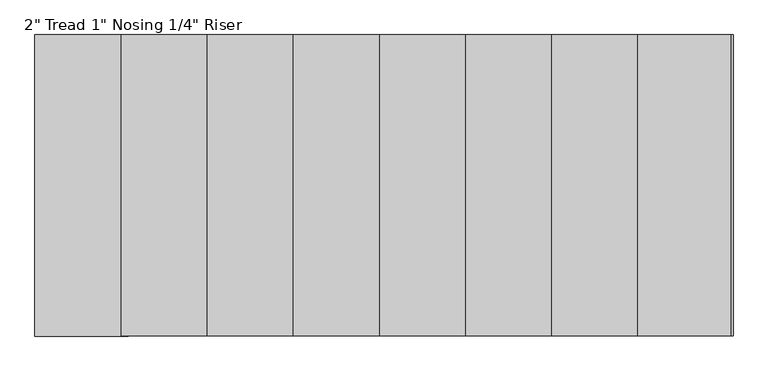
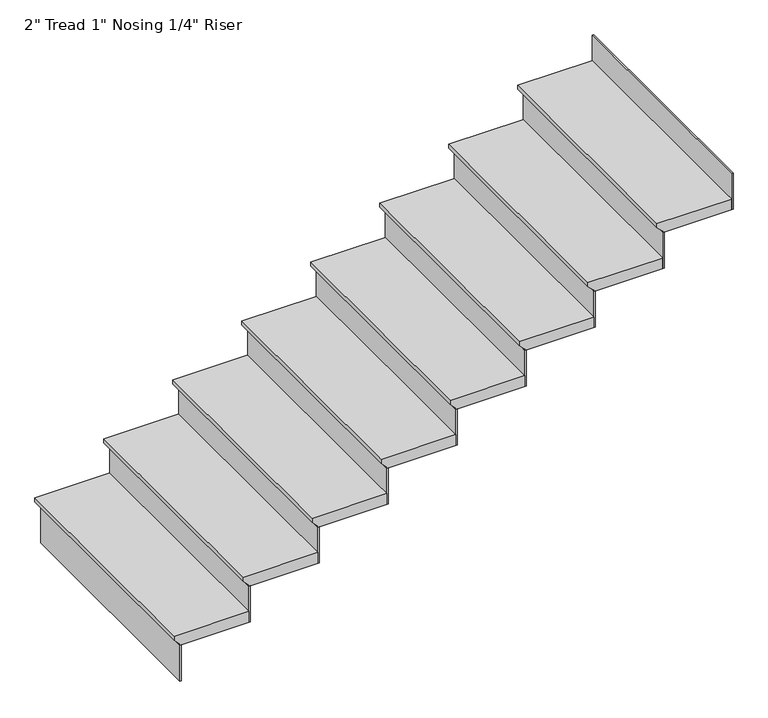
"""IFC4 building model written with IfcOpenShell, lengths in millimetres: stair flight geometry."""

from ifc_helpers import new_model, si_unit, frame, origin, place, context, project, spatial, polyline, outline, extrude, source, transform, mapped, element, save


def stair_flight_e5cf4ba2(model_context):
    return source(origin(), model_context, "Body", "SweptSolid", [
        extrude(outline(polyline([(1519.5176471, 29885.8368532), (1519.5176471, 29555.6368532), (1500.4676471, 29555.6368532), (1475.0676471, 29581.0368532), (1468.7176471, 29581.0368532), (1468.7176471, 29885.8368532), (1519.5176471, 29885.8368532)])), frame((0.0, -14119.094512, 0.0), z_axis=(0.0, 1.0, 0.0), x_axis=(0.0, 0.0, 1.0)), (0.0, 0.0, 1.0), 1066.8),
        extrude(outline(polyline([(29587.3868532, -14119.094512), (29581.0368532, -14119.094512), (29581.0368532, -13052.294512), (29587.3868532, -13052.294512), (29587.3868532, -14119.094512)])), frame((0.0, 0.0, 1299.8823529), z_axis=(0.0, 0.0, 1.0), x_axis=(1.0, 0.0, 0.0)), (0.0, 0.0, 1.0), 168.8352941),
        extrude(outline(polyline([(29892.1868532, -14119.094512), (29885.8368532, -14119.094512), (29885.8368532, -13052.294512), (29892.1868532, -13052.294512), (29892.1868532, -14119.094512)])), frame((0.0, 0.0, 1468.7176471), z_axis=(0.0, 0.0, 1.0), x_axis=(1.0, 0.0, 0.0)), (0.0, 0.0, 1.0), 168.8352941),
        extrude(outline(polyline([(1688.3529412, 30190.6368532), (1688.3529412, 29860.4368532), (1669.3029412, 29860.4368532), (1643.9029412, 29885.8368532), (1637.5529412, 29885.8368532), (1637.5529412, 30190.6368532), (1688.3529412, 30190.6368532)])), frame((0.0, -14119.094512, 0.0), z_axis=(0.0, 1.0, 0.0), x_axis=(0.0, 0.0, 1.0)), (0.0, 0.0, 1.0), 1066.8),
        extrude(outline(polyline([(30196.9868532, -14119.094512), (30190.6368532, -14119.094512), (30190.6368532, -13052.294512), (30196.9868532, -13052.294512), (30196.9868532, -14119.094512)])), frame((0.0, 0.0, 1637.5529412), z_axis=(0.0, 0.0, 1.0), x_axis=(1.0, 0.0, 0.0)), (0.0, 0.0, 1.0), 168.8352941),
        extrude(outline(polyline([(1857.1882353, 30495.4368532), (1857.1882353, 30165.2368532), (1838.1382353, 30165.2368532), (1812.7382353, 30190.6368532), (1806.3882353, 30190.6368532), (1806.3882353, 30495.4368532), (1857.1882353, 30495.4368532)])), frame((0.0, -14119.094512, 0.0), z_axis=(0.0, 1.0, 0.0), x_axis=(0.0, 0.0, 1.0)), (0.0, 0.0, 1.0), 1066.8),
        extrude(outline(polyline([(30501.7868532, -14119.094512), (30495.4368532, -14119.094512), (30495.4368532, -13052.294512), (30501.7868532, -13052.294512), (30501.7868532, -14119.094512)])), frame((0.0, 0.0, 1806.3882353), z_axis=(0.0, 0.0, 1.0), x_axis=(1.0, 0.0, 0.0)), (0.0, 0.0, 1.0), 168.8352941),
        extrude(outline(polyline([(2026.0235294, 30800.2368532), (2026.0235294, 30470.0368532), (2006.9735294, 30470.0368532), (1981.5735294, 30495.4368532), (1975.2235294, 30495.4368532), (1975.2235294, 30800.2368532), (2026.0235294, 30800.2368532)])), frame((0.0, -14119.094512, 0.0), z_axis=(0.0, 1.0, 0.0), x_axis=(0.0, 0.0, 1.0)), (0.0, 0.0, 1.0), 1066.8),
        extrude(outline(polyline([(30806.5868532, -14119.094512), (30800.2368532, -14119.094512), (30800.2368532, -13052.294512), (30806.5868532, -13052.294512), (30806.5868532, -14119.094512)])), frame((0.0, 0.0, 1975.2235294), z_axis=(0.0, 0.0, 1.0), x_axis=(1.0, 0.0, 0.0)), (0.0, 0.0, 1.0), 168.8352941),
        extrude(outline(polyline([(2194.8588235, 31105.0368532), (2194.8588235, 30774.8368532), (2175.8088235, 30774.8368532), (2150.4088235, 30800.2368532), (2144.0588235, 30800.2368532), (2144.0588235, 31105.0368532), (2194.8588235, 31105.0368532)])), frame((0.0, -14119.094512, 0.0), z_axis=(0.0, 1.0, 0.0), x_axis=(0.0, 0.0, 1.0)), (0.0, 0.0, 1.0), 1066.8),
        extrude(outline(polyline([(31111.3868532, -14119.094512), (31105.0368532, -14119.094512), (31105.0368532, -13052.294512), (31111.3868532, -13052.294512), (31111.3868532, -14119.094512)])), frame((0.0, 0.0, 2144.0588235), z_axis=(0.0, 0.0, 1.0), x_axis=(1.0, 0.0, 0.0)), (0.0, 0.0, 1.0), 168.8352941),
        extrude(outline(polyline([(2363.6941176, 31409.8368532), (2363.6941176, 31079.6368532), (2344.6441176, 31079.6368532), (2319.2441176, 31105.0368532), (2312.8941176, 31105.0368532), (2312.8941176, 31409.8368532), (2363.6941176, 31409.8368532)])), frame((0.0, -14119.094512, 0.0), z_axis=(0.0, 1.0, 0.0), x_axis=(0.0, 0.0, 1.0)), (0.0, 0.0, 1.0), 1066.8),
        extrude(outline(polyline([(31416.1868532, -14119.094512), (31409.8368532, -14119.094512), (31409.8368532, -13052.294512), (31416.1868532, -13052.294512), (31416.1868532, -14119.094512)])), frame((0.0, 0.0, 2312.8941176), z_axis=(0.0, 0.0, 1.0), x_axis=(1.0, 0.0, 0.0)), (0.0, 0.0, 1.0), 168.8352941),
        extrude(outline(polyline([(2532.5294118, 31714.6368532), (2532.5294118, 31384.4368532), (2513.4794118, 31384.4368532), (2488.0794118, 31409.8368532), (2481.7294118, 31409.8368532), (2481.7294118, 31714.6368532), (2532.5294118, 31714.6368532)])), frame((0.0, -14119.094512, 0.0), z_axis=(0.0, 1.0, 0.0), x_axis=(0.0, 0.0, 1.0)), (0.0, 0.0, 1.0), 1066.8),
        extrude(outline(polyline([(31720.9868532, -14119.094512), (31714.6368532, -14119.094512), (31714.6368532, -13052.294512), (31720.9868532, -13052.294512), (31720.9868532, -14119.094512)])), frame((0.0, 0.0, 2481.7294118), z_axis=(0.0, 0.0, 1.0), x_axis=(1.0, 0.0, 0.0)), (0.0, 0.0, 1.0), 168.8352941),
        extrude(outline(polyline([(32025.7868532, -14119.094512), (32019.4368532, -14119.094512), (32019.4368532, -13052.294512), (32025.7868532, -13052.294512), (32025.7868532, -14119.094512)])), frame((0.0, 0.0, 2650.5647059), z_axis=(0.0, 0.0, 1.0), x_axis=(1.0, 0.0, 0.0)), (0.0, 0.0, 1.0), 168.8352941),
        extrude(outline(polyline([(2701.3647059, 32019.4368532), (2701.3647059, 31689.2368532), (2682.3147059, 31689.2368532), (2656.9147059, 31714.6368532), (2650.5647059, 31714.6368532), (2650.5647059, 32019.4368532), (2701.3647059, 32019.4368532)])), frame((0.0, -14119.094512, 0.0), z_axis=(0.0, 1.0, 0.0), x_axis=(0.0, 0.0, 1.0)), (0.0, 0.0, 1.0), 1066.8),
    ])


if __name__ == "__main__":
    model = new_model("IFC4")
    model_context = context("Model", 3, world=origin())
    ifc_project = project(units=[si_unit("LENGTHUNIT", "METRE", prefix="MILLI")], contexts=[model_context])
    site = spatial("IfcSite", under=ifc_project)
    building = spatial("IfcBuilding", under=site)
    placement = place(None, origin())
    stair_flight_shape = stair_flight_e5cf4ba2(model_context)
    element("IfcStairFlight", 1, ObjectType="2\" Tread 1\" Nosing 1/4\" Riser", at=placement, inside=building, context=model_context, shape_type="MappedRepresentation", body=[
        mapped(stair_flight_shape, transform((0.0, 0.0, 0.0), x_axis=(1.0, 0.0, 0.0), y_axis=(0.0, 1.0, 0.0), z_axis=(0.0, 0.0, 1.0))),
    ])
    save(model, "model.ifc")
